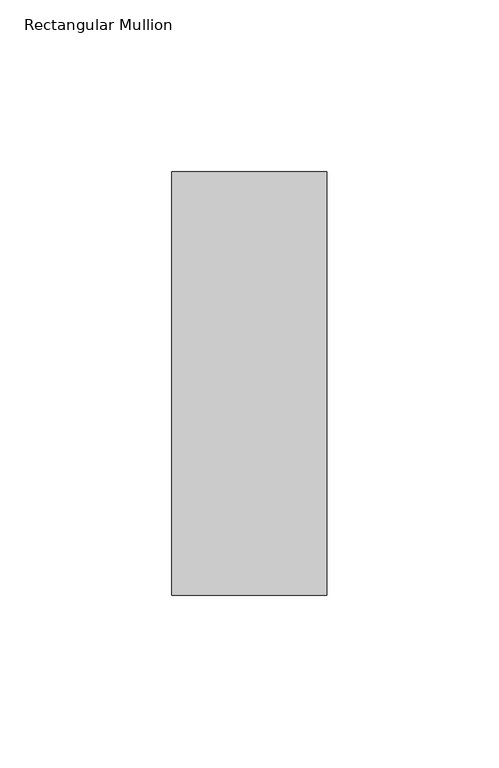
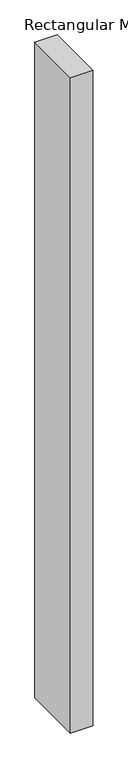
"""IFC4 building model written with IfcOpenShell, lengths in millimetres: member geometry, Rectangular Mullion."""

from ifc_helpers import new_model, si_unit, frame, origin, place, context, project, spatial, polyline, outline, extrude, source, transform, mapped, element, save


def rectangular_mullion_4ed55d6d(model_context):
    return source(origin(), model_context, "Body", "SweptSolid", [
        extrude(outline(polyline([(22.5, 77.05), (22.5, -46.05), (-22.5, -46.05), (-22.5, 77.05), (22.5, 77.05)])), frame((0.0, 0.0, -1387.9128906), z_axis=(0.0, 0.0, 1.0), x_axis=(1.0, 0.0, 0.0)), (0.0, 0.0, 1.0), 1387.9128906),
    ])


if __name__ == "__main__":
    model = new_model("IFC4")
    model_context = context("Model", 3, world=origin())
    ifc_project = project(units=[si_unit("LENGTHUNIT", "METRE", prefix="MILLI")], contexts=[model_context])
    site = spatial("IfcSite", under=ifc_project)
    building = spatial("IfcBuilding", under=site)
    placement = place(None, origin())
    rectangular_mullion_shape = rectangular_mullion_4ed55d6d(model_context)
    element("IfcMember", 1, ObjectType="Rectangular Mullion", at=placement, inside=building, context=model_context, shape_type="MappedRepresentation", body=[
        mapped(rectangular_mullion_shape, transform((0.0, 0.0, 0.0), x_axis=(1.0, 0.0, 0.0), y_axis=(0.0, 1.0, 0.0), z_axis=(0.0, 0.0, 1.0))),
    ])
    save(model, "model.ifc")
